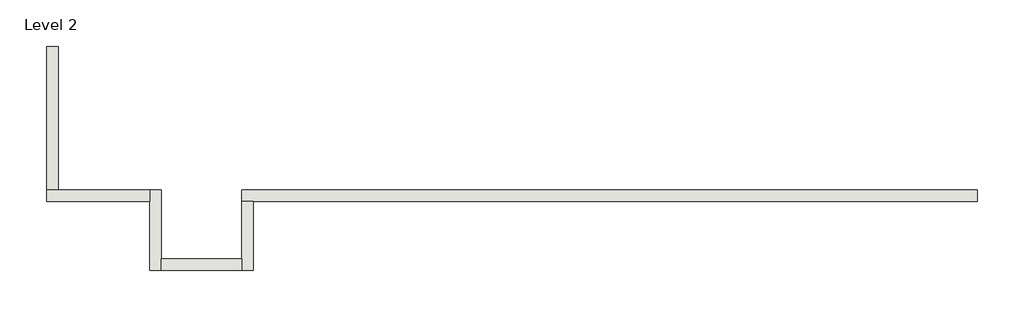
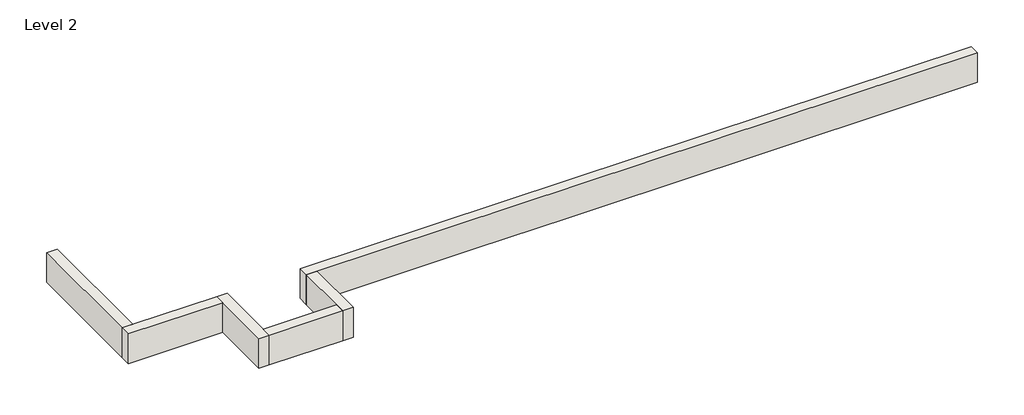
# One storey: 6 walls.
"""IFC4 building model written with IfcOpenShell, lengths in millimetres."""

from ifc_helpers import new_model, si_unit, frame, origin, place, context, project, spatial, polyline, outline, extrude, faceted_brep, element, save

model = new_model("IFC4")

# Units and contexts
model_context = context("Model", 3, world=origin())
ifc_project = project(units=[si_unit("LENGTHUNIT", "METRE", prefix="MILLI")], contexts=[model_context])

# Site, building, storey
site = spatial("IfcSite", under=ifc_project)
building = spatial("IfcBuilding", under=site)
storey = spatial("IfcBuildingStorey", under=building, Name="Level 2", Elevation=3048.0)

# Walls
placement = place(None, origin())
element("IfcWall", 1, ObjectType="Generic - 8\" Brick", at=placement, inside=storey, context=model_context, shape_type="Brep", body=[
    faceted_brep([(14630.357857, 1422.3976187, 3048.0), (10972.757857, 1422.3976187, 3048.0), (10363.157857, 1422.3976187, 3048.0), (7315.157857, 1422.3976187, 3048.0), (6705.557857, 1422.3976187, 3048.0), (4876.757857, 1422.3976187, 3048.0), (3657.557857, 1422.3976187, 3048.0), (1625.5602383, 1422.3976187, 3048.0), (1625.5602383, 1422.3976187, 3657.6), (14630.357857, 1422.3976187, 3657.6), (14630.357857, 1219.1976187, 3048.0), (14630.357857, 1219.1976187, 3657.6), (1828.7602383, 1219.1976187, 3657.6), (1625.5602383, 1219.1976187, 3657.6), (1625.5602383, 1219.1976187, 3048.0), (1828.7602383, 1219.1976187, 3048.0), (3657.557857, 1219.1976187, 3048.0), (4876.757857, 1219.1976187, 3048.0), (6705.557857, 1219.1976187, 3048.0), (7315.157857, 1219.1976187, 3048.0), (10363.157857, 1219.1976187, 3048.0), (10972.757857, 1219.1976187, 3048.0)], [[[0, 1, 2, 3, 4, 5, 6, 7, 8, 9]], [[10, 11, 12, 13, 14, 15, 16, 17, 18, 19, 20, 21]], [[7, 6, 5, 4, 3, 2, 1, 0, 10, 21, 20, 19, 18, 17, 16, 15, 14]], [[9, 8, 13, 12, 11]], [[0, 9, 11, 10]], [[8, 7, 14, 13]]]),
])
element("IfcWall", 2, ObjectType="Generic - 8\" Brick", at=placement, inside=storey, context=model_context, shape_type="Brep", body=[
    faceted_brep([(1625.5602383, 1219.1976187, 3048.0), (1625.5602383, 203.2, 3048.0), (1625.5602383, 0.0, 3048.0), (1625.5602383, 0.0, 3657.6), (1625.5602383, 203.2, 3657.6), (1625.5602383, 1219.1976187, 3657.6), (1828.7602383, 1219.1976187, 3048.0), (1828.7602383, 1219.1976187, 3657.6), (1828.7602383, 0.0, 3657.6), (1828.7602383, 0.0, 3048.0)], [[[0, 1, 2, 3, 4, 5]], [[6, 7, 8, 9]], [[2, 1, 0, 6, 9]], [[5, 4, 3, 8, 7]], [[0, 5, 7, 6]], [[3, 2, 9, 8]]]),
])
element("IfcWall", 3, ObjectType="Generic - 8\" Brick", at=placement, inside=storey, context=model_context, shape_type="SweptSolid", body=[
    extrude(outline(polyline([(203.157857, 203.2), (1625.5602383, 203.2), (1625.5602383, 0.0), (203.157857, 0.0), (203.157857, 203.2)])), frame((0.0, 0.0, 3048.0), z_axis=(0.0, 0.0, 1.0), x_axis=(1.0, 0.0, 0.0)), (0.0, 0.0, 1.0), 609.6),
])
element("IfcWall", 4, ObjectType="Generic - 8\" Brick", at=placement, inside=storey, context=model_context, shape_type="Brep", body=[
    faceted_brep([(203.157857, 0.0, 3048.0), (203.157857, 203.2, 3048.0), (203.157857, 1422.3976187, 3048.0), (203.157857, 1422.3976187, 3657.6), (203.157857, 203.2, 3657.6), (203.157857, 0.0, 3657.6), (-0.042143, 0.0, 3048.0), (-0.042143, 0.0, 3657.6), (-0.042143, 1219.1976187, 3657.6), (-0.042143, 1422.3976187, 3657.6), (-0.042143, 1422.3976187, 3048.0), (-0.042143, 1219.1976187, 3048.0)], [[[0, 1, 2, 3, 4, 5]], [[6, 7, 8, 9, 10, 11]], [[2, 1, 0, 6, 11, 10]], [[5, 4, 3, 9, 8, 7]], [[0, 5, 7, 6]], [[3, 2, 10, 9]]]),
])
element("IfcWall", 5, ObjectType="Generic - 8\" Brick", at=placement, inside=storey, context=model_context, shape_type="Brep", body=[
    faceted_brep([(-0.042143, 1422.3976187, 3048.0), (-1625.610393, 1422.3976187, 3048.0), (-1828.810393, 1422.3976187, 3048.0), (-1828.810393, 1422.3976187, 3657.6), (-1625.610393, 1422.3976187, 3657.6), (-0.042143, 1422.3976187, 3657.6), (-0.042143, 1219.1976187, 3048.0), (-0.042143, 1219.1976187, 3657.6), (-1828.810393, 1219.1976187, 3657.6), (-1828.810393, 1219.1976187, 3048.0)], [[[0, 1, 2, 3, 4, 5]], [[6, 7, 8, 9]], [[2, 1, 0, 6, 9]], [[5, 4, 3, 8, 7]], [[0, 5, 7, 6]], [[3, 2, 9, 8]]]),
])
element("IfcWall", 6, ObjectType="Generic - 8\" Brick", at=placement, inside=storey, context=model_context, shape_type="Brep", body=[
    faceted_brep([(-1625.610393, 1422.3976187, 3048.0), (-1625.610393, 3047.96825, 3048.0), (-1625.610393, 3962.36825, 3048.0), (-1625.610393, 3962.36825, 3657.6), (-1625.610393, 1422.3976187, 3657.6), (-1828.810393, 1422.3976187, 3048.0), (-1828.810393, 1422.3976187, 3657.6), (-1828.810393, 3962.36825, 3657.6), (-1828.810393, 3962.36825, 3048.0), (-1828.810393, 3047.96825, 3048.0)], [[[0, 1, 2, 3, 4]], [[5, 6, 7, 8, 9]], [[2, 1, 0, 5, 9, 8]], [[3, 2, 8, 7]], [[4, 3, 7, 6]], [[0, 4, 6, 5]]]),
])

save(model, "model.ifc")
